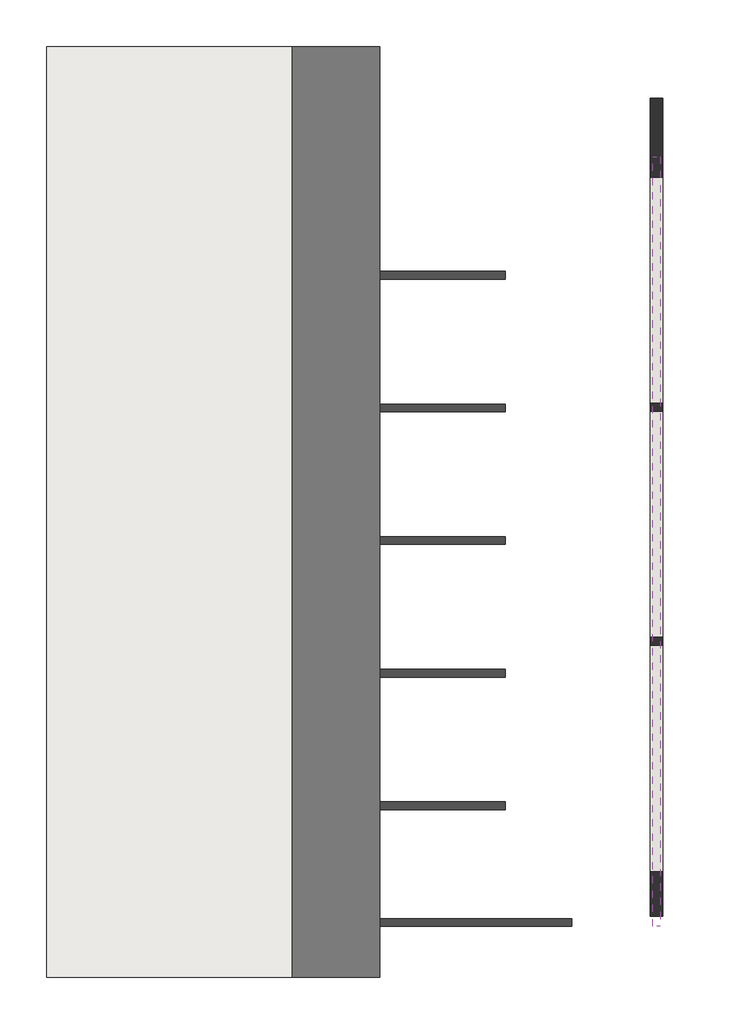
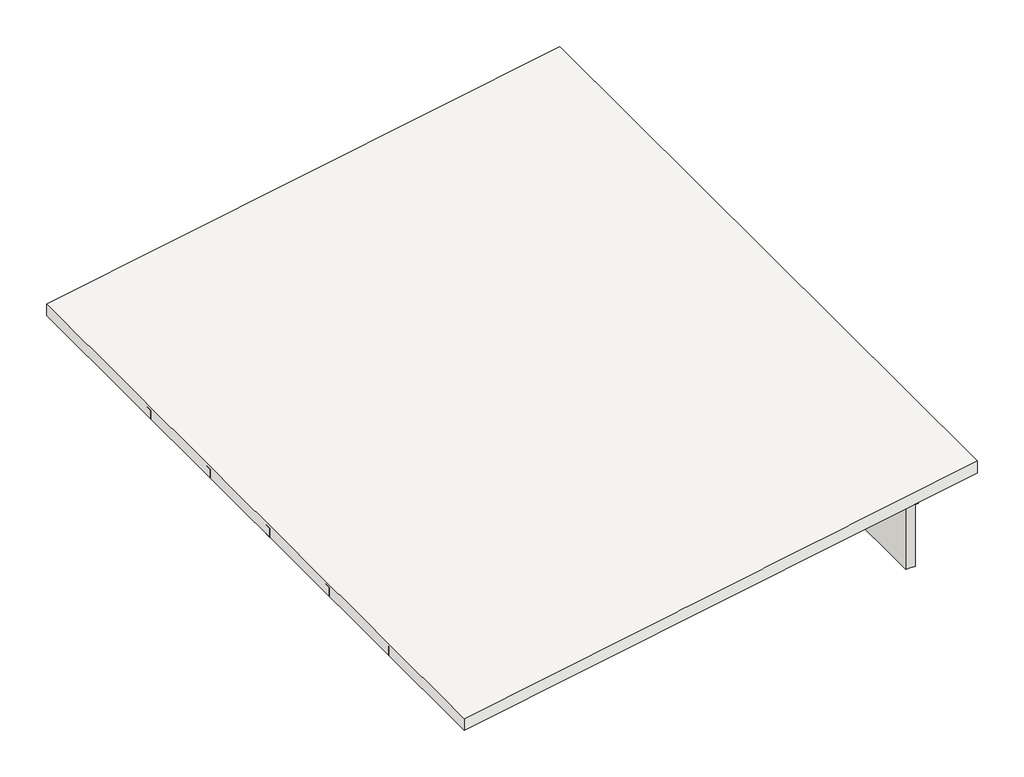
# One storey: 9 beams, 1 column, 1 roof, 1 wall.
"""IFC4 building model written with IfcOpenShell, lengths in millimetres."""

import ifcopenshell
import ifcopenshell.guid

model = None  # the IFC model being written
_history = None  # IfcOwnerHistory: only IFC2X3 demands one
_inside = {}  # id of a spatial element -> (the spatial element, [elements in it])
_under = {}  # id of a project, library or spatial element -> (it, [spatial elements below it])
_declared = {}  # id of a project -> (the project, [libraries it declares])
_typed = {}  # id of a type object -> (the type object, [elements of that type])
_made_of = {}  # id of a material, layer set ... -> (it, [elements and type objects made of it])


def new_model(schema):
    """Start an empty IFC model of exactly this schema.

    Asked for "IFC4X3", IfcOpenShell would pick the latest addendum, in which some entities
    have other attributes; the version numbers below select the first issue.
    IFC2X3 requires an IfcOwnerHistory on every rooted entity: one is made here for all.
    """
    global model, _history
    if schema == "IFC4X3":
        model = ifcopenshell.file(schema_version=(4, 3, 0, 0))
    else:
        model = ifcopenshell.file(schema=schema)
    _inside.clear()
    _under.clear()
    _declared.clear()
    _typed.clear()
    _made_of.clear()
    _history = None
    if model.schema == "IFC2X3":
        org = make("IfcOrganization", Name="unknown")
        user = make(
            "IfcPersonAndOrganization",
            ThePerson=make("IfcPerson", FamilyName="unknown"),
            TheOrganization=org,
        )
        app = make(
            "IfcApplication",
            ApplicationDeveloper=org,
            Version="unknown",
            ApplicationFullName="unknown",
            ApplicationIdentifier="unknown",
        )
        _history = make(
            "IfcOwnerHistory",
            OwningUser=user,
            OwningApplication=app,
            ChangeAction="ADDED",
            CreationDate=0,
        )
    return model


def make(cls, **values):
    """One entity of the class cls with the attributes given. An attribute that is None is left unset."""
    return model.create_entity(
        cls, **{name: value for name, value in values.items() if value is not None}
    )


def rooted(cls, **values):
    """An entity with a GlobalId (a new one), such as an element, a storey or a relation."""
    return make(cls, GlobalId=ifcopenshell.guid.new(), OwnerHistory=_history, **values)


def si_unit(unit_type, name, prefix=None):
    """IfcSIUnit, for example si_unit("LENGTHUNIT", "METRE", prefix="MILLI")."""
    return make("IfcSIUnit", UnitType=unit_type, Prefix=prefix, Name=name)


def assignment(units):
    """IfcUnitAssignment: the units of a project."""
    return None if units is None else make("IfcUnitAssignment", Units=units)


def point(xyz):
    """IfcCartesianPoint."""
    return None if xyz is None else make("IfcCartesianPoint", Coordinates=xyz)


def direction(xyz):
    """IfcDirection."""
    return None if xyz is None else make("IfcDirection", DirectionRatios=xyz)


def frame(location, z_axis=None, x_axis=None):
    """IfcAxis2Placement3D, a coordinate frame: its origin and axes. An axis left out is left unset."""
    return make(
        "IfcAxis2Placement3D",
        Location=point(location),
        Axis=direction(z_axis),
        RefDirection=direction(x_axis),
    )


def origin():
    """The frame at (0, 0, 0) with its axes left unset."""
    return frame((0.0, 0.0, 0.0))


def place(relative_to, where):
    """IfcLocalPlacement: puts the frame where relative to a parent placement (None: the world)."""
    return make(
        "IfcLocalPlacement", PlacementRelTo=relative_to, RelativePlacement=where
    )


def context(
    kind, dimensions, precision=None, world=None, true_north=None, identifier=None
):
    """IfcGeometricRepresentationContext, for example the 3D "Model" context."""
    return make(
        "IfcGeometricRepresentationContext",
        ContextIdentifier=identifier,
        ContextType=kind,
        CoordinateSpaceDimension=dimensions,
        Precision=precision,
        WorldCoordinateSystem=world,
        TrueNorth=true_north,
    )


def project(units=None, contexts=None):
    """IfcProject with its units and contexts."""
    return rooted(
        "IfcProject",
        Name="project",
        RepresentationContexts=contexts,
        UnitsInContext=assignment(units),
    )


def spatial(cls, under=None, at=None, **own):
    """A site, building, storey or space (cls), placed at a placement, below another one or the project."""
    s = rooted(cls, ObjectPlacement=at, **own)
    if under is not None:
        _under.setdefault(under.id(), (under, []))[1].append(s)
    return s


def polyline(points):
    """IfcPolyline through the points."""
    return make("IfcPolyline", Points=[point(p) for p in points])


def outline(outer, holes=None, kind="AREA"):
    """IfcArbitraryClosedProfileDef: a profile drawn as a closed curve; with holes, ...WithVoids."""
    if holes is None:
        return make("IfcArbitraryClosedProfileDef", ProfileType=kind, OuterCurve=outer)
    return make(
        "IfcArbitraryProfileDefWithVoids",
        ProfileType=kind,
        OuterCurve=outer,
        InnerCurves=holes,
    )


def extrude(swept, where, along, depth):
    """IfcExtrudedAreaSolid: the profile swept, set in the frame where, extruded along a direction by depth."""
    return make(
        "IfcExtrudedAreaSolid",
        SweptArea=swept,
        Position=where,
        ExtrudedDirection=direction(along),
        Depth=depth,
    )


def faces_of(points, faces, orient=None, outer=None):
    """IfcFace entities. A face is a list of loops; a loop is a list of indices into points, from 0.

    orient and outer hold one flag for each loop. By default every Orientation is true, the
    first loop of a face is its IfcFaceOuterBound and the others are IfcFaceBound.
    """
    made = []
    for i, loops in enumerate(faces):
        bounds = []
        for j, loop in enumerate(loops):
            is_outer = j == 0 if outer is None else outer[i][j]
            bounds.append(
                make(
                    "IfcFaceOuterBound" if is_outer else "IfcFaceBound",
                    Bound=make("IfcPolyLoop", Polygon=[points[k] for k in loop]),
                    Orientation=True if orient is None else orient[i][j],
                )
            )
        made.append(make("IfcFace", Bounds=bounds))
    return made


def faceted_brep(points, faces, orient=None, outer=None, voids=None):
    """IfcFacetedBrep: a solid bounded by flat faces; with voids (closed shells), ...WithVoids."""
    shared = [point(p) for p in points]
    hull = make("IfcClosedShell", CfsFaces=faces_of(shared, faces, orient, outer))
    if voids is None:
        return make("IfcFacetedBrep", Outer=hull)
    return make(
        "IfcFacetedBrepWithVoids",
        Outer=hull,
        Voids=[
            make(cls, CfsFaces=faces_of(shared, fs, o, b)) for cls, fs, o, b in voids
        ],
    )


def shape(context_of_items, identifier, shape_type, items):
    """IfcShapeRepresentation: the items that make up one representation, for example the "Body"."""
    return make(
        "IfcShapeRepresentation",
        ContextOfItems=context_of_items,
        RepresentationIdentifier=identifier,
        RepresentationType=shape_type,
        Items=items,
    )


def source(mapping_origin, context_of_items, identifier, shape_type, items):
    """IfcRepresentationMap: a shape defined once, which mapped items show again and again."""
    return make(
        "IfcRepresentationMap",
        MappingOrigin=mapping_origin,
        MappedRepresentation=shape(context_of_items, identifier, shape_type, items),
    )


def transform(
    local_origin,
    x_axis=None,
    y_axis=None,
    z_axis=None,
    scale=None,
    scale2=None,
    scale3=None,
    uniform=True,
):
    """IfcCartesianTransformationOperator3D, or its non-uniform kind. x_axis, y_axis, z_axis: its Axis1, 2, 3."""
    if uniform:
        return make(
            "IfcCartesianTransformationOperator3D",
            Axis1=direction(x_axis),
            Axis2=direction(y_axis),
            LocalOrigin=point(local_origin),
            Scale=scale,
            Axis3=direction(z_axis),
        )
    return make(
        "IfcCartesianTransformationOperator3DnonUniform",
        Axis1=direction(x_axis),
        Axis2=direction(y_axis),
        LocalOrigin=point(local_origin),
        Scale=scale,
        Axis3=direction(z_axis),
        Scale2=scale2,
        Scale3=scale3,
    )


def mapped(mapping_source, mapping_target):
    """IfcMappedItem: shows the shape of a source again, moved by a transform."""
    return make(
        "IfcMappedItem", MappingSource=mapping_source, MappingTarget=mapping_target
    )


def made_of(thing, what):
    """Note that an element or type object is made of a material, layer set ...; save() writes the relation."""
    if what is not None:
        _made_of.setdefault(what.id(), (what, []))[1].append(thing)
    return thing


def element(
    cls,
    number,
    at=None,
    inside=None,
    cuts=None,
    type_object=None,
    material=None,
    context=None,
    identifier="Body",
    shape_type=None,
    held_by="IfcProductDefinitionShape",
    body=None,
    shapes=None,
    **own,
):
    """One element of the class cls, such as IfcWall. Its Tag is "e" and its number.

    at: its placement. inside: the storey or other place that contains it. cuts: it is an
    opening in that element (IfcRelVoidsElement). A single representation is given by context,
    identifier, shape_type and body (its items); several are given by shapes. held_by: the class
    of the entity that holds the representations. save() writes the other relations.
    """
    e = rooted(cls, Tag="e%d" % number, ObjectPlacement=at, **own)
    if body is not None:
        shapes = [shape(context, identifier, shape_type, body)]
    if shapes is not None:
        e.Representation = make(held_by, Representations=shapes)
    if inside is not None:
        _inside.setdefault(inside.id(), (inside, []))[1].append(e)
    if cuts is not None:
        rooted(
            "IfcRelVoidsElement", RelatingBuildingElement=cuts, RelatedOpeningElement=e
        )
    if type_object is not None:
        _typed.setdefault(type_object.id(), (type_object, []))[1].append(e)
    return made_of(e, material)


def aggregate(whole, parts):
    """IfcRelAggregates: a whole, such as a stair, and the parts it consists of."""
    return rooted("IfcRelAggregates", RelatingObject=whole, RelatedObjects=parts)


def save(model, path):
    """Write the relations noted so far, then the file.

    IfcRelAggregates (storeys below a building ...), IfcRelContainedInSpatialStructure (elements
    in a storey), IfcRelDefinesByType, IfcRelAssociatesMaterial and IfcRelDeclares: one each for
    every whole, place, type object, material and project.
    """
    for whole, parts in _under.values():
        aggregate(whole, parts)
    for where, things in _inside.values():
        rooted(
            "IfcRelContainedInSpatialStructure",
            RelatedElements=things,
            RelatingStructure=where,
        )
    for kind, things in _typed.values():
        rooted("IfcRelDefinesByType", RelatedObjects=things, RelatingType=kind)
    for what, things in _made_of.values():
        rooted("IfcRelAssociatesMaterial", RelatedObjects=things, RelatingMaterial=what)
    for by, libraries in _declared.values():
        rooted("IfcRelDeclares", RelatingContext=by, RelatedDefinitions=libraries)
    model.write(path)


def beam_200x1080_47f25a83(model_context):
    return source(origin(), model_context, "Body", "SweptSolid", [
        extrude(outline(polyline([(9986.5453021, 100.0), (9986.5453021, -100.0), (-9686.1517656, -100.0), (-9686.1517656, 100.0), (9986.5453021, 100.0)])), frame((0.0, 0.0, -540.0), z_axis=(0.0, 0.0, 1.0), x_axis=(1.0, 0.0, 0.0)), (0.0, 0.0, 1.0), 1080.0),
    ])


def beam_200x880_8565c473(model_context):
    return source(origin(), model_context, "Body", "SweptSolid", [
        extrude(outline(polyline([(6108.3603644, 100.0), (6108.3603644, -100.0), (-6009.4539939, -100.0), (-6009.4539939, 100.0), (6108.3603644, 100.0)])), frame((0.0, 0.0, -440.0), z_axis=(0.0, 0.0, 1.0), x_axis=(1.0, 0.0, 0.0)), (0.0, 0.0, 1.0), 880.0),
    ])


def column_glulam_7334bfb3(model_context):
    return source(origin(), model_context, "Body", "SweptSolid", [
        extrude(outline(polyline([(100.0, 100.0), (100.0, -100.0), (-100.0, -100.0), (-100.0, 100.0), (100.0, 100.0)])), frame((0.0, 0.0, 4880.0), z_axis=(0.0, 0.0, 1.0), x_axis=(1.0, 0.0, 0.0)), (0.0, 0.0, 1.0), 820.0),
    ])


model = new_model("IFC4")

# Units and contexts
model_context = context("Model", 3, world=origin())
ifc_project = project(units=[si_unit("LENGTHUNIT", "METRE", prefix="MILLI")], contexts=[model_context])

# Site, building, storey
site = spatial("IfcSite", under=ifc_project)
building = spatial("IfcBuilding", under=site)
storey = spatial("IfcBuildingStorey", under=building, Elevation=4430.0)

# Beams
placement = place(None, origin())
beam_200x1080_shape = beam_200x1080_47f25a83(model_context)
element("IfcBeam", 1, ObjectType="200x1080", at=placement, inside=storey, context=model_context, shape_type="MappedRepresentation", body=[
    mapped(beam_200x1080_shape, transform((14272.0, 10185.0, 6240.0), x_axis=(0.0, -1.0, 0.0), y_axis=(1.0, 0.0, 0.0), z_axis=(0.0, 0.0, 1.0))),
])
element("IfcBeam", 2, ObjectType="200x300", at=placement, inside=storey, context=model_context, shape_type="SweptSolid", body=[
    extrude(outline(polyline([(5184.0294539, 4679.1080781), (5479.2589919, 4625.8209324), (4406.0742812, -1320.0), (4101.2267358, -1320.0), (5184.0294539, 4679.1080781)])), frame((0.0, 21883.0, 0.0), z_axis=(0.0, 1.0, 0.0), x_axis=(0.0, 0.0, 1.0)), (0.0, 0.0, 1.0), 200.0),
])
element("IfcBeam", 3, ObjectType="200x880", at=placement, inside=storey, context=model_context, shape_type="SweptSolid", body=[
    extrude(outline(polyline([(6933.6322695, 14372.0), (7142.2928635, 15528.0146126), (7448.7566846, 15528.0146126), (4407.6906817, -1320.0), (4101.2268606, -1320.0), (4317.8268154, -120.0), (3730.0702302, -120.0), (6345.8756842, 14372.0), (6933.6322695, 14372.0)])), frame((0.0, 13345.0, 0.0), z_axis=(0.0, 1.0, 0.0), x_axis=(0.0, 0.0, 1.0)), (0.0, 0.0, 1.0), 200.0),
])
element("IfcBeam", 4, ObjectType="200x880", at=placement, inside=storey, context=model_context, shape_type="SweptSolid", body=[
    extrude(outline(polyline([(6933.6322695, 14372.0), (7142.2928635, 15528.0146126), (7448.7566846, 15528.0146126), (4407.6906817, -1320.0), (4101.2268606, -1320.0), (4317.8268154, -120.0), (3730.0702302, -120.0), (6345.8756842, 14372.0), (6933.6322695, 14372.0)])), frame((0.0, 16734.0, 0.0), z_axis=(0.0, 1.0, 0.0), x_axis=(0.0, 0.0, 1.0)), (0.0, 0.0, 1.0), 200.0),
])
element("IfcBeam", 5, ObjectType="200x880", at=placement, inside=storey, context=model_context, shape_type="SweptSolid", body=[
    extrude(outline(polyline([(6933.6322695, 14372.0), (7142.2928635, 15528.0146126), (7448.7566846, 15528.0146126), (4407.6906817, -1320.0), (4101.2268606, -1320.0), (4317.8268154, -120.0), (3730.0702302, -120.0), (6345.8756842, 14372.0), (6933.6322695, 14372.0)])), frame((0.0, 9956.0, 0.0), z_axis=(0.0, 1.0, 0.0), x_axis=(0.0, 0.0, 1.0)), (0.0, 0.0, 1.0), 200.0),
])
element("IfcBeam", 6, ObjectType="200x880", at=placement, inside=storey, context=model_context, shape_type="SweptSolid", body=[
    extrude(outline(polyline([(6933.6322695, 14372.0), (7142.2928635, 15528.0146126), (7448.7566846, 15528.0146126), (4407.6906817, -1320.0), (4101.2268606, -1320.0), (4317.8268154, -120.0), (3730.0702302, -120.0), (6345.8756842, 14372.0), (6933.6322695, 14372.0)])), frame((0.0, 6567.0, 0.0), z_axis=(0.0, 1.0, 0.0), x_axis=(0.0, 0.0, 1.0)), (0.0, 0.0, 1.0), 200.0),
])
element("IfcBeam", 7, ObjectType="200x880", at=placement, inside=storey, context=model_context, shape_type="SweptSolid", body=[
    extrude(outline(polyline([(6933.6322695, 14372.0), (7142.2928635, 15528.0146126), (7448.7566846, 15528.0146126), (4407.6906817, -1320.0), (4101.2268606, -1320.0), (4317.8268154, -120.0), (3730.0702302, -120.0), (6345.8756842, 14372.0), (6933.6322695, 14372.0)])), frame((0.0, 3178.0, 0.0), z_axis=(0.0, 1.0, 0.0), x_axis=(0.0, 0.0, 1.0)), (0.0, 0.0, 1.0), 200.0),
])
element("IfcBeam", 8, ObjectType="200x880", at=placement, inside=storey, context=model_context, shape_type="SweptSolid", body=[
    extrude(outline(polyline([(6038.3068687, 14372.0), (6932.5131387, 14372.0), (4318.0185837, -120.0), (3423.8123136, -120.0), (6038.3068687, 14372.0)])), frame((0.0, 193.0, 0.0), z_axis=(0.0, 1.0, 0.0), x_axis=(0.0, 0.0, 1.0)), (0.0, 0.0, 1.0), 200.0),
])
beam_200x880_shape = beam_200x880_8565c473(model_context)
element("IfcBeam", 9, ObjectType="200x880", at=placement, inside=storey, context=model_context, shape_type="MappedRepresentation", body=[
    mapped(beam_200x880_shape, transform((14272.0, 13676.5, 4440.0), x_axis=(0.0, -1.0, 0.0), y_axis=(1.0, 0.0, 0.0), z_axis=(0.0, 0.0, 1.0))),
])

# Column
column_glulam_shape = column_glulam_7334bfb3(model_context)
element("IfcColumn", 10, ObjectType="Column Glulam", at=placement, inside=storey, context=model_context, shape_type="MappedRepresentation", body=[
    mapped(column_glulam_shape, transform((14272.0, 13464.0, 0.0), x_axis=(1.0, 0.0, 0.0), y_axis=(0.0, 1.0, 0.0), z_axis=(0.0, 0.0, 1.0))),
])

# Roof
element("IfcRoof", 11, ObjectType="Standard 400", at=placement, inside=storey, context=model_context, shape_type="SweptSolid", body=[
    extrude(outline(polyline([(7548.7566846, 15572.2259653), (4499.7105342, -1320.0), (4093.2467131, -1320.0), (7142.2928635, 15572.2259653), (7548.7566846, 15572.2259653)])), frame((0.0, -1111.0, 0.0), z_axis=(0.0, 1.0, 0.0), x_axis=(0.0, 0.0, 1.0)), (0.0, 0.0, 1.0), 23795.0),
])

# Wall
element("IfcWall", 12, at=placement, inside=storey, context=model_context, shape_type="Brep", body=[
    faceted_brep([(14430.0, 7580.0, 4000.0), (14430.0, 21368.0, 4000.0), (14430.0, 21368.0, 6936.1211198), (14430.0, 454.0, 6936.1211198), (14430.0, 454.0, 3340.0), (14430.0, 7580.0, 3340.0), (14430.0, 7580.0, 5700.0), (14430.0, 13364.0, 5700.0), (14430.0, 13364.0, 4880.0), (14430.0, 7580.0, 4880.0), (14430.0, 1596.0, 5700.0), (14430.0, 7380.0, 5700.0), (14430.0, 7380.0, 4880.0), (14430.0, 1596.0, 4880.0), (14430.0, 13564.0, 5700.0), (14430.0, 19348.0, 5700.0), (14430.0, 19348.0, 4880.0), (14430.0, 13564.0, 4880.0), (14113.0, 21368.0, 6878.9026318), (14113.0, 21368.0, 4000.0), (14113.0, 7580.0, 4000.0), (14113.0, 7580.0, 3340.0), (14113.0, 454.0, 3340.0), (14113.0, 454.0, 6878.9026318), (14113.0, 13364.0, 5700.0), (14113.0, 7580.0, 5700.0), (14113.0, 7580.0, 4880.0), (14113.0, 13364.0, 4880.0), (14113.0, 7380.0, 5700.0), (14113.0, 1596.0, 5700.0), (14113.0, 1596.0, 4880.0), (14113.0, 7380.0, 4880.0), (14113.0, 19348.0, 5700.0), (14113.0, 13564.0, 5700.0), (14113.0, 13564.0, 4880.0), (14113.0, 19348.0, 4880.0), (14291.0, 454.0, 3340.0)], [[[0, 1, 2, 3, 4, 5], [6, 7, 8, 9], [10, 11, 12, 13], [14, 15, 16, 17]], [[18, 19, 20, 21, 22, 23], [24, 25, 26, 27], [28, 29, 30, 31], [32, 33, 34, 35]], [[4, 3, 23, 22, 36]], [[3, 2, 18, 23]], [[6, 25, 24, 7]], [[8, 27, 26, 9]], [[25, 6, 9, 26]], [[7, 24, 27, 8]], [[10, 29, 28, 11]], [[12, 31, 30, 13]], [[29, 10, 13, 30]], [[11, 28, 31, 12]], [[14, 33, 32, 15]], [[16, 35, 34, 17]], [[33, 14, 17, 34]], [[15, 32, 35, 16]], [[1, 0, 20, 19]], [[1, 19, 18, 2]], [[5, 4, 36, 22, 21]], [[0, 5, 21, 20]]]),
])

save(model, "model.ifc")
